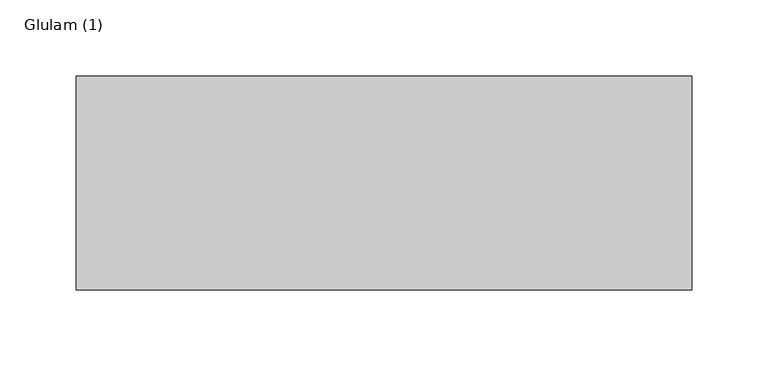
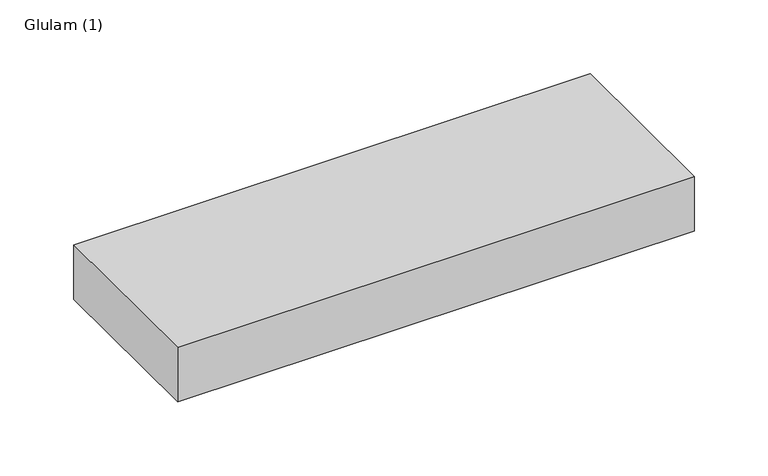
"""IFC4 building model written with IfcOpenShell, lengths in millimetres: beam geometry, Glulam (1)."""

from ifc_helpers import new_model, si_unit, frame, origin, place, context, project, spatial, polyline, outline, extrude, source, transform, mapped, element, save


def glulam_1_6e75495e(model_context):
    return source(origin(), model_context, "Body", "SweptSolid", [
        extrude(outline(polyline([(201.5, 70.0), (201.5, -70.0), (-201.5, -70.0), (-201.5, 70.0), (201.5, 70.0)])), frame((0.0, 0.0, -22.5), z_axis=(0.0, 0.0, 1.0), x_axis=(1.0, 0.0, 0.0)), (0.0, 0.0, 1.0), 45.0),
    ])


if __name__ == "__main__":
    model = new_model("IFC4")
    model_context = context("Model", 3, world=origin())
    ifc_project = project(units=[si_unit("LENGTHUNIT", "METRE", prefix="MILLI")], contexts=[model_context])
    site = spatial("IfcSite", under=ifc_project)
    building = spatial("IfcBuilding", under=site)
    placement = place(None, origin())
    glulam_1_shape = glulam_1_6e75495e(model_context)
    element("IfcBeam", 1, ObjectType="Glulam (1)", at=placement, inside=building, context=model_context, shape_type="MappedRepresentation", body=[
        mapped(glulam_1_shape, transform((0.0, 0.0, 0.0), x_axis=(1.0, 0.0, 0.0), y_axis=(0.0, 1.0, 0.0), z_axis=(0.0, 0.0, 1.0))),
    ])
    save(model, "model.ifc")
